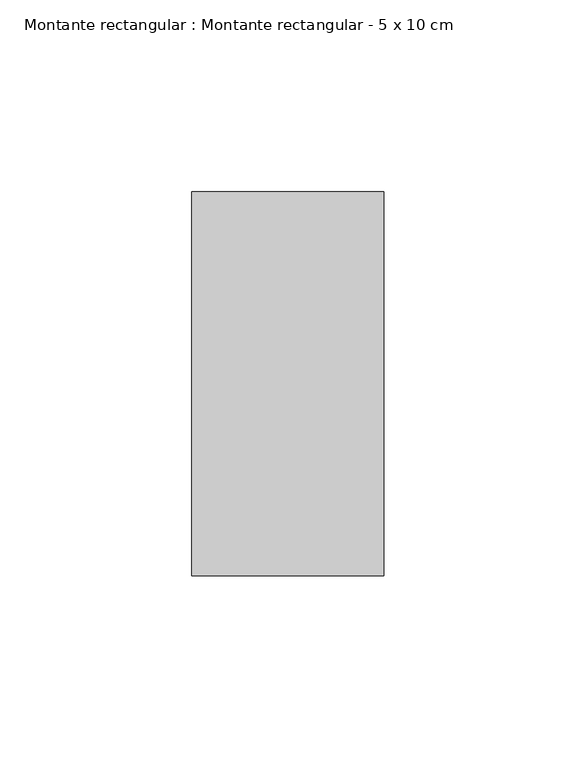
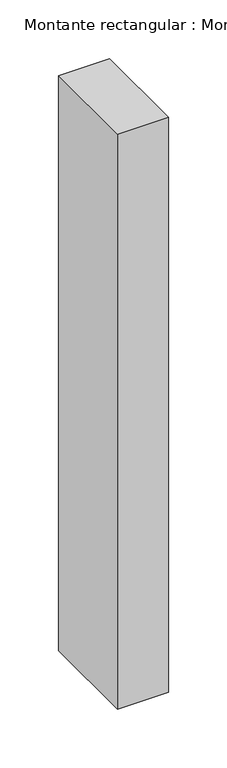
"""IFC4 building model written with IfcOpenShell, lengths in millimetres: member geometry, Montante rectangular : Montante rectangular - 5 x 10 cm."""

from ifc_helpers import new_model, si_unit, frame, origin, place, context, project, spatial, polyline, outline, extrude, source, transform, mapped, element, save


def montante_rectangular_montante_rectangular_5_x_10_cm_1cd31715(model_context):
    return source(origin(), model_context, "Body", "SweptSolid", [
        extrude(outline(polyline([(-50.0, 50.0), (0.0, 50.0), (0.0, -50.0), (-50.0, -50.0), (-50.0, 50.0)])), frame((0.0, 0.0, -596.761875), z_axis=(0.0, 0.0, 1.0), x_axis=(1.0, 0.0, 0.0)), (0.0, 0.0, 1.0), 596.761875),
    ])


if __name__ == "__main__":
    model = new_model("IFC4")
    model_context = context("Model", 3, world=origin())
    ifc_project = project(units=[si_unit("LENGTHUNIT", "METRE", prefix="MILLI")], contexts=[model_context])
    site = spatial("IfcSite", under=ifc_project)
    building = spatial("IfcBuilding", under=site)
    placement = place(None, origin())
    montante_rectangular_montante_rectangular_5_x_10_cm_shape = montante_rectangular_montante_rectangular_5_x_10_cm_1cd31715(model_context)
    element("IfcMember", 1, ObjectType="Montante rectangular : Montante rectangular - 5 x 10 cm", at=placement, inside=building, context=model_context, shape_type="MappedRepresentation", body=[
        mapped(montante_rectangular_montante_rectangular_5_x_10_cm_shape, transform((0.0, 0.0, 0.0), x_axis=(1.0, 0.0, 0.0), y_axis=(0.0, 1.0, 0.0), z_axis=(0.0, 0.0, 1.0))),
    ])
    save(model, "model.ifc")
